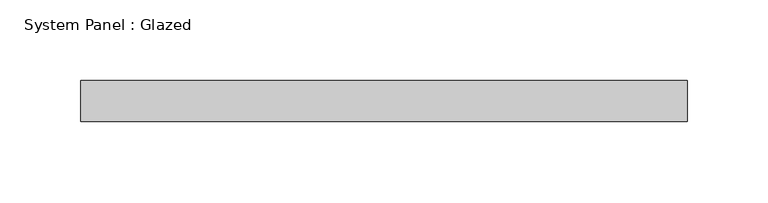
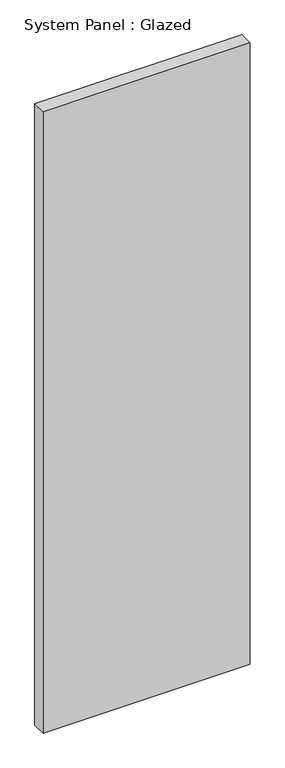
"""IFC4 building model written with IfcOpenShell, lengths in millimetres: plate geometry, System Panel : Glazed."""

from ifc_helpers import new_model, si_unit, origin, origin_with_axes, place, context, project, spatial, polyline, outline, extrude, source, transform, mapped, element, save


def system_panel_glazed_93762307(model_context):
    return source(origin(), model_context, "Body", "SweptSolid", [
        extrude(outline(polyline([(187.325, -12.7), (-187.325, -12.7), (-187.325, 12.7), (187.325, 12.7), (187.325, -12.7)])), origin_with_axes(), (0.0, 0.0, 1.0), 1187.45),
    ])


if __name__ == "__main__":
    model = new_model("IFC4")
    model_context = context("Model", 3, world=origin())
    ifc_project = project(units=[si_unit("LENGTHUNIT", "METRE", prefix="MILLI")], contexts=[model_context])
    site = spatial("IfcSite", under=ifc_project)
    building = spatial("IfcBuilding", under=site)
    placement = place(None, origin())
    system_panel_glazed_shape = system_panel_glazed_93762307(model_context)
    element("IfcPlate", 1, ObjectType="System Panel : Glazed", at=placement, inside=building, context=model_context, shape_type="MappedRepresentation", body=[
        mapped(system_panel_glazed_shape, transform((0.0, 0.0, 0.0), x_axis=(1.0, 0.0, 0.0), y_axis=(0.0, 1.0, 0.0), z_axis=(0.0, 0.0, 1.0))),
    ])
    save(model, "model.ifc")
